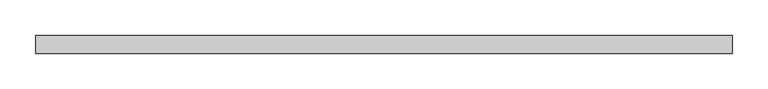
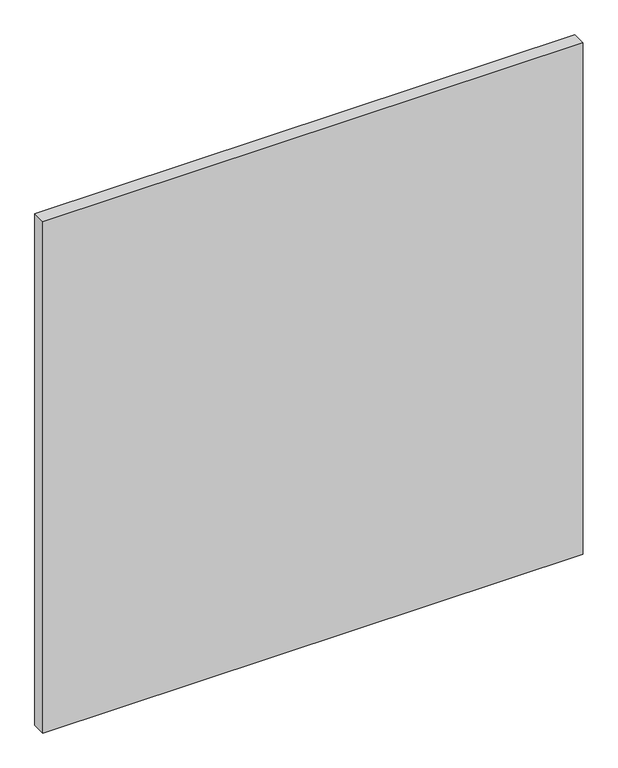
"""IFC4 building model written with IfcOpenShell, lengths in millimetres: plate geometry."""

from ifc_helpers import new_model, si_unit, origin, origin_with_axes, place, context, project, spatial, polyline, outline, extrude, source, transform, mapped, element, save


def plate_7fcc1c5f(model_context):
    return source(origin(), model_context, "Body", "SweptSolid", [
        extrude(outline(polyline([(487.5, 24.5), (-487.5, 24.5), (-487.5, 49.5), (487.5, 49.5), (487.5, 24.5)])), origin_with_axes(), (0.0, 0.0, 1.0), 975.0),
    ])


if __name__ == "__main__":
    model = new_model("IFC4")
    model_context = context("Model", 3, world=origin())
    ifc_project = project(units=[si_unit("LENGTHUNIT", "METRE", prefix="MILLI")], contexts=[model_context])
    site = spatial("IfcSite", under=ifc_project)
    building = spatial("IfcBuilding", under=site)
    placement = place(None, origin())
    plate_shape = plate_7fcc1c5f(model_context)
    element("IfcPlate", 1, at=placement, inside=building, context=model_context, shape_type="MappedRepresentation", body=[
        mapped(plate_shape, transform((0.0, 0.0, 0.0), x_axis=(1.0, 0.0, 0.0), y_axis=(0.0, 1.0, 0.0), z_axis=(0.0, 0.0, 1.0))),
    ])
    save(model, "model.ifc")
